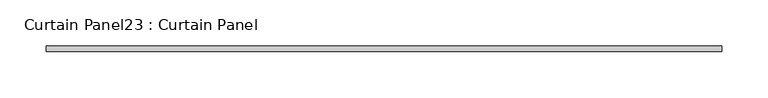
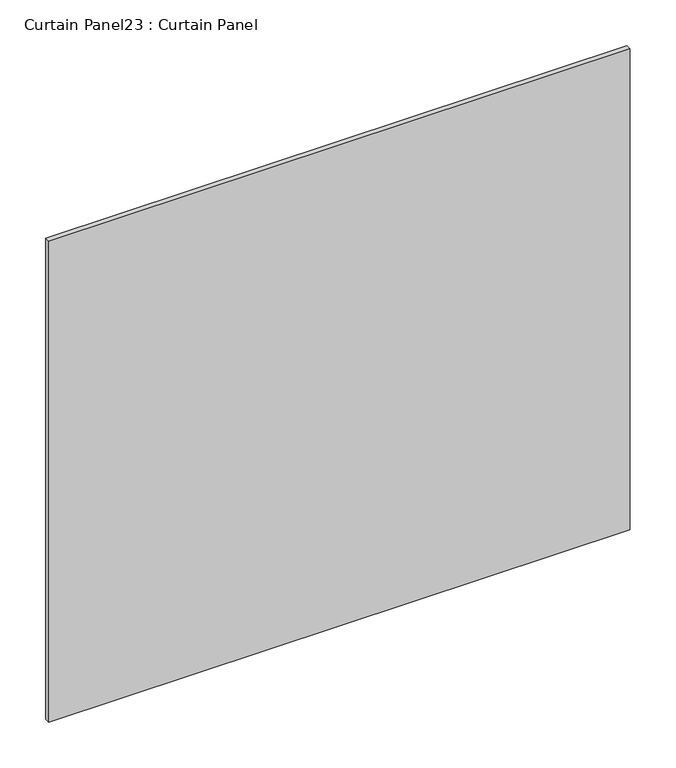
"""IFC4 building model written with IfcOpenShell, lengths in millimetres: plate geometry, Curtain Panel23 : Curtain Panel."""

from ifc_helpers import new_model, si_unit, frame, origin, place, context, project, spatial, polyline, outline, extrude, source, transform, mapped, element, save


def curtain_panel23_curtain_panel_62bd4b9f(model_context):
    return source(origin(), model_context, "Body", "SweptSolid", [
        extrude(outline(polyline([(3227.8627701, 3568.3617926), (2495.4959131, 3568.3617926), (2495.4959131, 3574.7117926), (3227.8627701, 3574.7117926), (3227.8627701, 3568.3617926)])), frame((0.0, 0.0, 1352.1319583), z_axis=(0.0, 0.0, 1.0), x_axis=(1.0, 0.0, 0.0)), (0.0, 0.0, 1.0), 640.0694167),
    ])


if __name__ == "__main__":
    model = new_model("IFC4")
    model_context = context("Model", 3, world=origin())
    ifc_project = project(units=[si_unit("LENGTHUNIT", "METRE", prefix="MILLI")], contexts=[model_context])
    site = spatial("IfcSite", under=ifc_project)
    building = spatial("IfcBuilding", under=site)
    placement = place(None, origin())
    curtain_panel23_curtain_panel_shape = curtain_panel23_curtain_panel_62bd4b9f(model_context)
    element("IfcPlate", 1, ObjectType="Curtain Panel23 : Curtain Panel", at=placement, inside=building, context=model_context, shape_type="MappedRepresentation", body=[
        mapped(curtain_panel23_curtain_panel_shape, transform((0.0, 0.0, 0.0), x_axis=(1.0, 0.0, 0.0), y_axis=(0.0, 1.0, 0.0), z_axis=(0.0, 0.0, 1.0))),
    ])
    save(model, "model.ifc")
